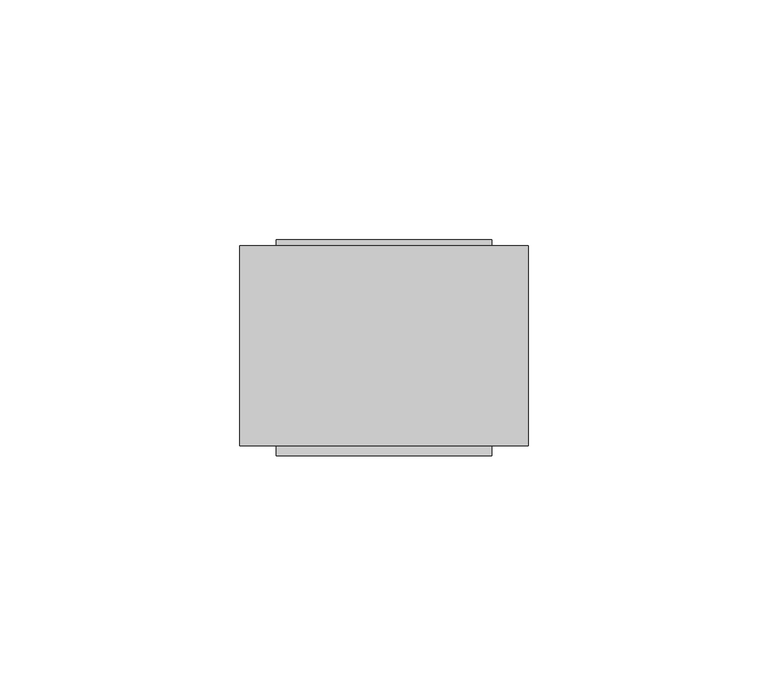
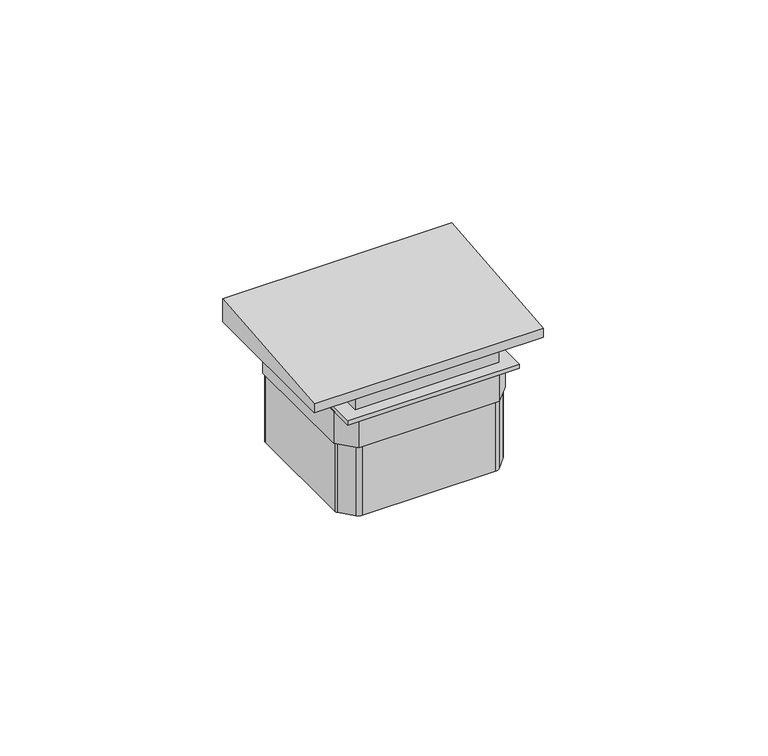
"""IFC4 building model written with IfcOpenShell, lengths in millimetres: proxy geometry."""

from ifc_helpers import new_model, si_unit, point, frame, frame_2d, origin, origin_with_axes, place, context, project, spatial, polyline, circle_curve, trimmed, segment, composite_curve, outline, extrude, faceted_brep, source, transform, mapped, element, save


def electrical_fixtures_43f884b2(model_context):
    return source(origin(), model_context, "Body", "SolidModel", [
        faceted_brep([(52.55, 43.7410261, 4.7972517), (52.55, 43.7410261, 11.257229), (52.55, 2.0625, 7.3158968), (52.55, 2.0625, 4.7972517), (-7.55, 43.7410261, 4.7972517), (-7.55, 2.0625, 4.7972517), (-7.55, 2.0625, 7.3158968), (-7.55, 43.7410261, 11.257229), (-0.7625903, 43.7410261, 8.0272404), (45.7625903, 43.7410261, 8.0272404), (45.7625903, 43.7410261, 9.4579773), (-0.7625903, 43.7410261, 9.4579773), (-0.7625903, 28.4642987, 8.0272404), (-0.7625903, 28.4642987, 9.4579773), (45.7625903, 28.4642987, 9.4579773), (45.7625903, 28.4642987, 8.0272404)], [[[0, 1, 2, 3]], [[4, 5, 6, 7]], [[1, 0, 4, 7], [8, 9, 10, 11]], [[2, 1, 7, 6]], [[3, 2, 6, 5]], [[0, 3, 5, 4]], [[12, 13, 14, 15]], [[12, 15, 9, 8]], [[15, 14, 10, 9]], [[14, 13, 11, 10]], [[13, 12, 8, 11]]]),
        extrude(outline(polyline([(3.7, 42.0), (41.3, 42.0), (41.3, 3.0), (3.7, 3.0), (3.7, 42.0)])), frame((0.0, 0.0, 1.1865762), z_axis=(0.0, 0.0, 1.0), x_axis=(1.0, 0.0, 0.0)), (0.0, 0.0, 1.0), 3.6106755),
        extrude(outline(polyline([(40.4233692, 41.691395), (43.5607102, 38.2778876), (43.5607102, 6.8403348), (40.2277684, 3.2140087), (4.5716643, 3.2140087), (1.4392898, 6.6221124), (1.4392898, 38.2778876), (4.5766308, 41.691395), (40.4233692, 41.691395)])), frame((0.0, 0.0, -8.9515322), z_axis=(0.0, 0.0, 1.0), x_axis=(1.0, 0.0, 0.0)), (0.0, 0.0, 1.0), 1.8727111),
        extrude(outline(polyline([(40.9470004, 42.986037), (45.0, 38.5762696), (45.0, 6.4237304), (40.9470004, 2.013963), (4.0529996, 2.013963), (0.0, 6.4237304), (0.0, 38.5762696), (4.0529996, 42.986037), (40.9470004, 42.986037)]), holes=[polyline([(40.4233692, 41.691395), (4.5766308, 41.691395), (1.4392898, 38.2778876), (1.4392898, 6.6221124), (4.5716643, 3.2140087), (40.2277684, 3.2140087), (43.5607102, 6.8403348), (43.5607102, 38.2778876), (40.4233692, 41.691395)])]), frame((0.0, 0.0, -8.9515322), z_axis=(0.0, 0.0, 1.0), x_axis=(1.0, 0.0, 0.0)), (0.0, 0.0, 1.0), 8.9515322),
        extrude(outline(polyline([(0.0, 45.0), (45.0, 45.0), (45.0, 0.0), (0.0, 0.0), (0.0, 45.0)])), origin_with_axes(), (0.0, 0.0, 1.0), 1.1865762),
        extrude(outline(composite_curve([segment(trimmed(circle_curve(frame_2d((22.9785709, 22.0163771)), 28.0250427), [point((0.6708855, 38.9801677))], [point((3.6496058, 42.3090883))], False, "CARTESIAN"), True, "CONTINUOUS"), segment(trimmed(circle_curve(frame_2d((5.0058625, 40.8852084)), 1.9664349), [point((3.6496058, 42.3090883))], [point((5.0058625, 42.8516432))], False, "CARTESIAN"), True, "CONTINUOUS"), segment(polyline([(5.0058625, 42.8516432), (39.9941375, 42.8516432)]), True, "CONTINUOUS"), segment(trimmed(circle_curve(frame_2d((39.9941375, 40.8852084)), 1.9664349), [point((39.9941375, 42.8516432))], [point((41.3503942, 42.3090883))], False, "CARTESIAN"), True, "CONTINUOUS"), segment(trimmed(circle_curve(frame_2d((22.0214291, 22.0163771)), 28.0250427), [point((41.3503942, 42.3090883))], [point((44.3291145, 38.9801677))], False, "CARTESIAN"), True, "CONTINUOUS"), segment(trimmed(circle_curve(frame_2d((43.3665201, 38.2481666)), 1.2093029), [point((44.3291145, 38.9801677))], [point((44.575823, 38.2481666))], False, "CARTESIAN"), True, "CONTINUOUS"), segment(polyline([(44.575823, 38.2481666), (44.575823, 6.7518334)]), True, "CONTINUOUS"), segment(trimmed(circle_curve(frame_2d((43.3665201, 6.7518334)), 1.2093029), [point((44.575823, 6.7518334))], [point((44.3291145, 6.0198323))], False, "CARTESIAN"), True, "CONTINUOUS"), segment(trimmed(circle_curve(frame_2d((22.0214291, 22.9836229)), 28.0250427), [point((44.3291145, 6.0198323))], [point((41.3503942, 2.6909117))], False, "CARTESIAN"), True, "CONTINUOUS"), segment(trimmed(circle_curve(frame_2d((39.9941375, 4.1147916)), 1.9664349), [point((41.3503942, 2.6909117))], [point((39.9941375, 2.1483568))], False, "CARTESIAN"), True, "CONTINUOUS"), segment(polyline([(39.9941375, 2.1483568), (5.0058625, 2.1483568)]), True, "CONTINUOUS"), segment(trimmed(circle_curve(frame_2d((5.0058625, 4.1147916)), 1.9664349), [point((5.0058625, 2.1483568))], [point((3.6496058, 2.6909117))], False, "CARTESIAN"), True, "CONTINUOUS"), segment(trimmed(circle_curve(frame_2d((22.9785709, 22.9836229)), 28.0250427), [point((3.6496058, 2.6909117))], [point((0.6708855, 6.0198323))], False, "CARTESIAN"), True, "CONTINUOUS"), segment(trimmed(circle_curve(frame_2d((1.6334799, 6.7518334)), 1.2093029), [point((0.6708855, 6.0198323))], [point((0.424177, 6.7518334))], False, "CARTESIAN"), True, "CONTINUOUS"), segment(polyline([(0.424177, 6.7518334), (0.424177, 38.2481666)]), True, "CONTINUOUS"), segment(trimmed(circle_curve(frame_2d((1.6334799, 38.2481666)), 1.2093029), [point((0.424177, 38.2481666))], [point((0.6708855, 38.9801677))], False, "CARTESIAN"), True, "CONTINUOUS")], self_intersect=False)), frame((0.0, 0.0, -28.0682633), z_axis=(0.0, 0.0, 1.0), x_axis=(1.0, 0.0, 0.0)), (0.0, 0.0, 1.0), 28.0682633),
    ])


if __name__ == "__main__":
    model = new_model("IFC4")
    model_context = context("Model", 3, world=origin())
    ifc_project = project(units=[si_unit("LENGTHUNIT", "METRE", prefix="MILLI")], contexts=[model_context])
    site = spatial("IfcSite", under=ifc_project)
    building = spatial("IfcBuilding", under=site)
    placement = place(None, origin())
    electrical_fixtures_shape = electrical_fixtures_43f884b2(model_context)
    element("IfcBuildingElementProxy", 1, Name="Electrical Fixtures", at=placement, inside=building, context=model_context, shape_type="MappedRepresentation", body=[
        mapped(electrical_fixtures_shape, transform((0.0, 0.0, 0.0), x_axis=(1.0, 0.0, 0.0), y_axis=(0.0, 1.0, 0.0), z_axis=(0.0, 0.0, 1.0))),
    ])
    save(model, "model.ifc")
